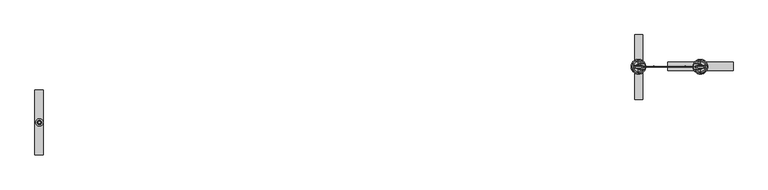
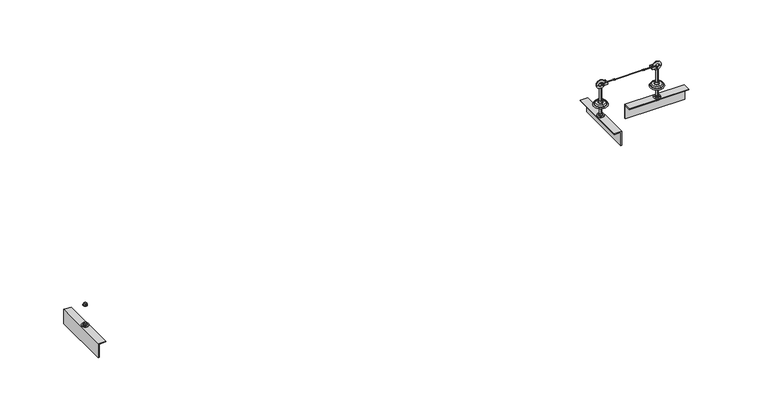
"""IFC4 building model written with IfcOpenShell, lengths in millimetres: proxy geometry."""

from ifc_helpers import new_model, si_unit, point, frame, frame_2d, origin, place, context, project, spatial, polyline, circle_curve, ellipse_curve, trimmed, segment, composite_curve, outline, extrude, source, transform, mapped, element, save
from ifc_brep_helpers import plane_surface, cylinder_surface, revolved_surface, advanced_brep


def specialty_equipment_66c62369(model_context):
    return source(origin(), model_context, "Body", "SolidModel", [
        advanced_brep(
        [(8100.0, 345.0, 0.0), (8100.0, 307.0, 0.0), (8100.0, 293.0, 0.0), (8100.0, 255.0, 0.0), (8100.0, 307.0, -100.0), (8100.0, 293.0, -100.0), (8100.0, 300.0, -100.0), (8100.0, 300.0, 121.6303144), (8100.0, 306.9, 121.6303144), (8100.0, 293.1, 121.6303144), (8100.0, 306.9, 28.0512021), (8100.0, 293.1, 28.0512021), (8100.0, 307.995656, 24.9277269), (8100.0, 313.6366177, 17.8765248), (8100.0, 286.3633823, 17.8765248), (8100.0, 292.004344, 24.9277269), (8100.0, 317.5409617, 16.0), (8100.0, 330.1640518, 16.0), (8100.0, 269.8359482, 16.0), (8100.0, 282.4590383, 16.0), (8100.0, 337.6378375, 8.5262143), (8100.0, 262.3621625, 8.5262143), (8100.0, 337.6378375, 6.8656759), (8100.0, 262.3621625, 6.8656759), (8100.0, 338.448306, 5.8712826), (8100.0, 261.551694, 5.8712826)],
        [
            (0, 1),
            (1, 2, circle_curve(frame((8100.0, 300.0, 0.0), z_axis=(0.0, 0.0, 1.0), x_axis=(0.0, -1.0, 0.0)), 7.0)),
            (2, 3),
            (3, 0, circle_curve(frame((8100.0, 300.0, 0.0), z_axis=(0.0, 0.0, -1.0), x_axis=(0.0, -1.0, 0.0)), 45.0)),
            (2, 1, circle_curve(frame((8100.0, 300.0, 0.0), z_axis=(0.0, 0.0, 1.0), x_axis=(0.0, -1.0, 0.0)), 7.0)),
            (0, 3, circle_curve(frame((8100.0, 300.0, 0.0), z_axis=(0.0, 0.0, -1.0), x_axis=(0.0, -1.0, 0.0)), 45.0)),
            (1, 4),
            (4, 5, circle_curve(frame((8100.0, 300.0, -100.0), z_axis=(0.0, 0.0, 1.0), x_axis=(0.0, -1.0, 0.0)), 7.0)),
            (5, 2),
            (5, 4, circle_curve(frame((8100.0, 300.0, -100.0), z_axis=(0.0, 0.0, 1.0), x_axis=(0.0, -1.0, 0.0)), 7.0)),
            (4, 6),
            (6, 5),
            (7, 8),
            (8, 9, circle_curve(frame((8100.0, 300.0, 121.6303144), z_axis=(0.0, 0.0, 1.0), x_axis=(0.0, -1.0, 0.0)), 6.9)),
            (9, 7),
            (9, 8, circle_curve(frame((8100.0, 300.0, 121.6303144), z_axis=(0.0, 0.0, 1.0), x_axis=(0.0, -1.0, 0.0)), 6.9)),
            (8, 10),
            (10, 11, circle_curve(frame((8100.0, 300.0, 28.0512021), z_axis=(0.0, 0.0, 1.0), x_axis=(0.0, -1.0, 0.0)), 6.9)),
            (11, 9),
            (11, 10, circle_curve(frame((8100.0, 300.0, 28.0512021), z_axis=(0.0, 0.0, 1.0), x_axis=(0.0, -1.0, 0.0)), 6.9)),
            (12, 13),
            (13, 14, circle_curve(frame((8100.0, 300.0, 17.8765248), z_axis=(0.0, 0.0, 1.0), x_axis=(0.0, -1.0, 0.0)), 13.6366177)),
            (14, 15),
            (15, 12, circle_curve(frame((8100.0, 300.0, 24.9277269), z_axis=(0.0, 0.0, -1.0), x_axis=(0.0, -1.0, 0.0)), 7.995656)),
            (14, 13, circle_curve(frame((8100.0, 300.0, 17.8765248), z_axis=(0.0, 0.0, 1.0), x_axis=(0.0, -1.0, 0.0)), 13.6366177)),
            (12, 15, circle_curve(frame((8100.0, 300.0, 24.9277269), z_axis=(0.0, 0.0, -1.0), x_axis=(0.0, -1.0, 0.0)), 7.995656)),
            (16, 17),
            (17, 18, circle_curve(frame((8100.0, 300.0, 16.0), z_axis=(0.0, 0.0, 1.0), x_axis=(0.0, -1.0, 0.0)), 30.1640518)),
            (18, 19),
            (19, 16, circle_curve(frame((8100.0, 300.0, 16.0), z_axis=(0.0, 0.0, -1.0), x_axis=(0.0, -1.0, 0.0)), 17.5409617)),
            (18, 17, circle_curve(frame((8100.0, 300.0, 16.0), z_axis=(0.0, 0.0, 1.0), x_axis=(0.0, -1.0, 0.0)), 30.1640518)),
            (16, 19, circle_curve(frame((8100.0, 300.0, 16.0), z_axis=(0.0, 0.0, -1.0), x_axis=(0.0, -1.0, 0.0)), 17.5409617)),
            (17, 20, circle_curve(frame((8100.0, 330.1640518, 8.5262143), z_axis=(-1.0, 0.0, 0.0), x_axis=(0.0, -1.0, 0.0)), 7.4737857)),
            (20, 21, circle_curve(frame((8100.0, 300.0, 8.5262143), z_axis=(0.0, 0.0, 1.0), x_axis=(0.0, -1.0, 0.0)), 37.6378375)),
            (21, 18, circle_curve(frame((8100.0, 269.8359482, 8.5262143), z_axis=(-1.0, 0.0, 0.0), x_axis=(0.0, 1.0, 0.0)), 7.4737857)),
            (21, 20, circle_curve(frame((8100.0, 300.0, 8.5262143), z_axis=(0.0, 0.0, 1.0), x_axis=(0.0, -1.0, 0.0)), 37.6378375)),
            (20, 22),
            (22, 23, circle_curve(frame((8100.0, 300.0, 6.8656759), z_axis=(0.0, 0.0, 1.0), x_axis=(0.0, -1.0, 0.0)), 37.6378375)),
            (23, 21),
            (23, 22, circle_curve(frame((8100.0, 300.0, 6.8656759), z_axis=(0.0, 0.0, 1.0), x_axis=(0.0, -1.0, 0.0)), 37.6378375)),
            (10, 12, circle_curve(frame((8100.0, 311.9, 28.0512021), z_axis=(1.0, 0.0, 0.0), x_axis=(0.0, -1.0, 0.0)), 5.0)),
            (15, 11, circle_curve(frame((8100.0, 288.1, 28.0512021), z_axis=(1.0, 0.0, 0.0), x_axis=(0.0, 1.0, 0.0)), 5.0)),
            (13, 16, circle_curve(frame((8100.0, 317.5409617, 21.0), z_axis=(1.0, 0.0, 0.0), x_axis=(0.0, -1.0, 0.0)), 5.0)),
            (19, 14, circle_curve(frame((8100.0, 282.4590383, 21.0), z_axis=(1.0, 0.0, 0.0), x_axis=(0.0, 1.0, 0.0)), 5.0)),
            (22, 24, circle_curve(frame((8100.0, 338.6531003, 6.8656759), z_axis=(1.0, 0.0, 0.0), x_axis=(0.0, -1.0, 0.0)), 1.0152629)),
            (24, 25, circle_curve(frame((8100.0, 300.0, 5.8712826), z_axis=(0.0, 0.0, 1.0), x_axis=(0.0, -1.0, 0.0)), 38.448306)),
            (25, 23, circle_curve(frame((8100.0, 261.3468997, 6.8656759), z_axis=(1.0, 0.0, 0.0), x_axis=(0.0, 1.0, 0.0)), 1.0152629)),
            (25, 24, circle_curve(frame((8100.0, 300.0, 5.8712826), z_axis=(0.0, 0.0, 1.0), x_axis=(0.0, -1.0, 0.0)), 38.448306)),
            (24, 0, circle_curve(frame((8100.0, 336.6858246, -2.686569), z_axis=(-1.0, 0.0, 0.0), x_axis=(0.0, -1.0, 0.0)), 8.7374576)),
            (3, 25, circle_curve(frame((8100.0, 263.3141754, -2.686569), z_axis=(-1.0, 0.0, 0.0), x_axis=(0.0, 1.0, 0.0)), 8.7374576)),
        ],
        [
            plane_surface(frame((8100.0, 300.0, 0.0), z_axis=(0.0, 0.0, -1.0), x_axis=(0.0, -1.0, 0.0))),
            cylinder_surface(frame((8100.0, 300.0, 93.0), z_axis=(0.0, 0.0, 1.0), x_axis=(0.0, -1.0, 0.0)), 7.0),
            plane_surface(frame((8100.0, 300.0, -100.0), z_axis=(0.0, 0.0, -1.0), x_axis=(0.0, -1.0, 0.0))),
            plane_surface(frame((8100.0, 300.0, 121.6303144), z_axis=(0.0, 0.0, 1.0), x_axis=(0.0, -1.0, 0.0))),
            cylinder_surface(frame((8100.0, 300.0, 93.0), z_axis=(0.0, 0.0, 1.0), x_axis=(0.0, -1.0, 0.0)), 6.9),
            revolved_surface(polyline([(8100.0, 286.3633823, 17.8765248), (8100.0, 292.004344, 24.9277269)]), (8100.0, 300.0, 93.0), (0.0, 0.0, 1.0)),
            plane_surface(frame((8100.0, 300.0, 16.0), z_axis=(0.0, 0.0, 1.0), x_axis=(0.0, -1.0, 0.0))),
            revolved_surface(trimmed(ellipse_curve(frame((8100.0, 269.8359482, 8.5262143), z_axis=(-1.0, 0.0, 0.0), x_axis=(0.0, 1.0, 0.0)), 7.4737857, 7.4737857), [point((8100.0, 262.3621625, 8.5262143))], [point((8100.0, 269.8359482, 16.0))], True, "CARTESIAN"), (8100.0, 300.0, 93.0), (0.0, 0.0, 1.0)),
            cylinder_surface(frame((8100.0, 300.0, 93.0), z_axis=(0.0, 0.0, 1.0), x_axis=(0.0, -1.0, 0.0)), 37.6378375),
            revolved_surface(trimmed(ellipse_curve(frame((8100.0, 288.1, 28.0512021), z_axis=(1.0, 0.0, 0.0), x_axis=(0.0, 1.0, 0.0)), 5.0, 5.0), [point((8100.0, 292.004344, 24.9277269))], [point((8100.0, 293.1, 28.0512021))], True, "CARTESIAN"), (8100.0, 300.0, 93.0), (0.0, 0.0, 1.0)),
            revolved_surface(trimmed(ellipse_curve(frame((8100.0, 282.4590383, 21.0), z_axis=(1.0, 0.0, 0.0), x_axis=(0.0, 1.0, 0.0)), 5.0, 5.0), [point((8100.0, 282.4590383, 16.0))], [point((8100.0, 286.3633823, 17.8765248))], True, "CARTESIAN"), (8100.0, 300.0, 93.0), (0.0, 0.0, 1.0)),
            revolved_surface(trimmed(ellipse_curve(frame((8100.0, 261.3468997, 6.8656759), z_axis=(1.0, 0.0, 0.0), x_axis=(0.0, 1.0, 0.0)), 1.0152629, 1.0152629), [point((8100.0, 261.551694, 5.8712826))], [point((8100.0, 262.3621625, 6.8656759))], True, "CARTESIAN"), (8100.0, 300.0, 93.0), (0.0, 0.0, 1.0)),
            revolved_surface(trimmed(ellipse_curve(frame((8100.0, 263.3141754, -2.686569), z_axis=(-1.0, 0.0, 0.0), x_axis=(0.0, 1.0, 0.0)), 8.7374576, 8.7374576), [point((8100.0, 255.0, 0.0))], [point((8100.0, 261.551694, 5.8712826))], True, "CARTESIAN"), (8100.0, 300.0, 93.0), (0.0, 0.0, 1.0)),
        ],
        [
            (0, [[1, 2, 3, 4]]),
            (0, [[-3, 5, -1, 6]]),
            (1, [[7, 8, 9, -2]]),
            (1, [[-9, 10, -7, -5]]),
            (2, [[11, 12, -8]]),
            (2, [[-12, -11, -10]]),
            (3, [[13, 14, 15]]),
            (3, [[-15, 16, -13]]),
            (4, [[17, 18, 19, -14]]),
            (4, [[-19, 20, -17, -16]]),
            (5, [[21, 22, 23, 24]]),
            (5, [[-23, 25, -21, 26]]),
            (6, [[27, 28, 29, 30]]),
            (6, [[-29, 31, -27, 32]]),
            (7, [[33, 34, 35, -28]]),
            (7, [[-35, 36, -33, -31]]),
            (8, [[37, 38, 39, -34]]),
            (8, [[-39, 40, -37, -36]]),
            (9, [[41, -24, 42, -18]]),
            (9, [[-42, -26, -41, -20]]),
            (10, [[43, -30, 44, -22]]),
            (10, [[-44, -32, -43, -25]]),
            (11, [[45, 46, 47, -38]]),
            (11, [[-47, 48, -45, -40]]),
            (12, [[49, -4, 50, -46]]),
            (12, [[-50, -6, -49, -48]]),
        ],
    ),
        advanced_brep(
        [(7720.0243251, 307.0, 0.0), (7720.0243251, 345.0, 0.0), (7720.0243251, 255.0, 0.0), (7720.0243251, 293.0, 0.0), (7720.0243251, 307.0, -100.0), (7720.0243251, 293.0, -100.0), (7720.0243251, 300.0, -100.0), (7720.0243251, 306.9, 121.6303144), (7720.0243251, 300.0, 121.6303144), (7720.0243251, 293.1, 121.6303144), (7720.0243251, 306.9, 28.0512021), (7720.0243251, 293.1, 28.0512021), (7720.0243251, 313.6366177, 17.8765248), (7720.0243251, 307.995656, 24.9277269), (7720.0243251, 292.004344, 24.9277269), (7720.0243251, 286.3633823, 17.8765248), (7720.0243251, 330.1640518, 16.0), (7720.0243251, 317.5409617, 16.0), (7720.0243251, 282.4590383, 16.0), (7720.0243251, 269.8359482, 16.0), (7720.0243251, 337.6378375, 8.5262143), (7720.0243251, 262.3621625, 8.5262143), (7720.0243251, 337.6378375, 6.8656759), (7720.0243251, 262.3621625, 6.8656759), (7720.0243251, 338.448306, 5.8712826), (7720.0243251, 261.551694, 5.8712826)],
        [
            (0, 1),
            (1, 2, circle_curve(frame((7720.0243251, 300.0, 0.0), z_axis=(0.0, 0.0, -1.0), x_axis=(0.0, -1.0, 0.0)), 45.0)),
            (2, 3),
            (3, 0, circle_curve(frame((7720.0243251, 300.0, 0.0), z_axis=(0.0, 0.0, 1.0), x_axis=(0.0, -1.0, 0.0)), 7.0)),
            (2, 1, circle_curve(frame((7720.0243251, 300.0, 0.0), z_axis=(0.0, 0.0, -1.0), x_axis=(0.0, -1.0, 0.0)), 45.0)),
            (0, 3, circle_curve(frame((7720.0243251, 300.0, 0.0), z_axis=(0.0, 0.0, 1.0), x_axis=(0.0, -1.0, 0.0)), 7.0)),
            (4, 0),
            (3, 5),
            (5, 4, circle_curve(frame((7720.0243251, 300.0, -100.0), z_axis=(0.0, 0.0, 1.0), x_axis=(0.0, -1.0, 0.0)), 7.0)),
            (4, 5, circle_curve(frame((7720.0243251, 300.0, -100.0), z_axis=(0.0, 0.0, 1.0), x_axis=(0.0, -1.0, 0.0)), 7.0)),
            (6, 4),
            (5, 6),
            (7, 8),
            (8, 9),
            (9, 7, circle_curve(frame((7720.0243251, 300.0, 121.6303144), z_axis=(0.0, 0.0, 1.0), x_axis=(0.0, -1.0, 0.0)), 6.9)),
            (7, 9, circle_curve(frame((7720.0243251, 300.0, 121.6303144), z_axis=(0.0, 0.0, 1.0), x_axis=(0.0, -1.0, 0.0)), 6.9)),
            (10, 7),
            (9, 11),
            (11, 10, circle_curve(frame((7720.0243251, 300.0, 28.0512021), z_axis=(0.0, 0.0, 1.0), x_axis=(0.0, -1.0, 0.0)), 6.9)),
            (10, 11, circle_curve(frame((7720.0243251, 300.0, 28.0512021), z_axis=(0.0, 0.0, 1.0), x_axis=(0.0, -1.0, 0.0)), 6.9)),
            (12, 13),
            (13, 14, circle_curve(frame((7720.0243251, 300.0, 24.9277269), z_axis=(0.0, 0.0, -1.0), x_axis=(0.0, -1.0, 0.0)), 7.995656)),
            (14, 15),
            (15, 12, circle_curve(frame((7720.0243251, 300.0, 17.8765248), z_axis=(0.0, 0.0, 1.0), x_axis=(0.0, -1.0, 0.0)), 13.6366177)),
            (14, 13, circle_curve(frame((7720.0243251, 300.0, 24.9277269), z_axis=(0.0, 0.0, -1.0), x_axis=(0.0, -1.0, 0.0)), 7.995656)),
            (12, 15, circle_curve(frame((7720.0243251, 300.0, 17.8765248), z_axis=(0.0, 0.0, 1.0), x_axis=(0.0, -1.0, 0.0)), 13.6366177)),
            (16, 17),
            (17, 18, circle_curve(frame((7720.0243251, 300.0, 16.0), z_axis=(0.0, 0.0, -1.0), x_axis=(0.0, -1.0, 0.0)), 17.5409617)),
            (18, 19),
            (19, 16, circle_curve(frame((7720.0243251, 300.0, 16.0), z_axis=(0.0, 0.0, 1.0), x_axis=(0.0, -1.0, 0.0)), 30.1640518)),
            (18, 17, circle_curve(frame((7720.0243251, 300.0, 16.0), z_axis=(0.0, 0.0, -1.0), x_axis=(0.0, -1.0, 0.0)), 17.5409617)),
            (16, 19, circle_curve(frame((7720.0243251, 300.0, 16.0), z_axis=(0.0, 0.0, 1.0), x_axis=(0.0, -1.0, 0.0)), 30.1640518)),
            (20, 16, circle_curve(frame((7720.0243251, 330.1640518, 8.5262143), z_axis=(1.0, 0.0, 0.0), x_axis=(0.0, -1.0, 0.0)), 7.4737857)),
            (19, 21, circle_curve(frame((7720.0243251, 269.8359482, 8.5262143), z_axis=(1.0, 0.0, 0.0), x_axis=(0.0, 1.0, 0.0)), 7.4737857)),
            (21, 20, circle_curve(frame((7720.0243251, 300.0, 8.5262143), z_axis=(0.0, 0.0, 1.0), x_axis=(0.0, -1.0, 0.0)), 37.6378375)),
            (20, 21, circle_curve(frame((7720.0243251, 300.0, 8.5262143), z_axis=(0.0, 0.0, 1.0), x_axis=(0.0, -1.0, 0.0)), 37.6378375)),
            (22, 20),
            (21, 23),
            (23, 22, circle_curve(frame((7720.0243251, 300.0, 6.8656759), z_axis=(0.0, 0.0, 1.0), x_axis=(0.0, -1.0, 0.0)), 37.6378375)),
            (22, 23, circle_curve(frame((7720.0243251, 300.0, 6.8656759), z_axis=(0.0, 0.0, 1.0), x_axis=(0.0, -1.0, 0.0)), 37.6378375)),
            (13, 10, circle_curve(frame((7720.0243251, 311.9, 28.0512021), z_axis=(-1.0, 0.0, 0.0), x_axis=(0.0, -1.0, 0.0)), 5.0)),
            (11, 14, circle_curve(frame((7720.0243251, 288.1, 28.0512021), z_axis=(-1.0, 0.0, 0.0), x_axis=(0.0, 1.0, 0.0)), 5.0)),
            (17, 12, circle_curve(frame((7720.0243251, 317.5409617, 21.0), z_axis=(-1.0, 0.0, 0.0), x_axis=(0.0, -1.0, 0.0)), 5.0)),
            (15, 18, circle_curve(frame((7720.0243251, 282.4590383, 21.0), z_axis=(-1.0, 0.0, 0.0), x_axis=(0.0, 1.0, 0.0)), 5.0)),
            (24, 22, circle_curve(frame((7720.0243251, 338.6531003, 6.8656759), z_axis=(-1.0, 0.0, 0.0), x_axis=(0.0, -1.0, 0.0)), 1.0152629)),
            (23, 25, circle_curve(frame((7720.0243251, 261.3468997, 6.8656759), z_axis=(-1.0, 0.0, 0.0), x_axis=(0.0, 1.0, 0.0)), 1.0152629)),
            (25, 24, circle_curve(frame((7720.0243251, 300.0, 5.8712826), z_axis=(0.0, 0.0, 1.0), x_axis=(0.0, -1.0, 0.0)), 38.448306)),
            (24, 25, circle_curve(frame((7720.0243251, 300.0, 5.8712826), z_axis=(0.0, 0.0, 1.0), x_axis=(0.0, -1.0, 0.0)), 38.448306)),
            (1, 24, circle_curve(frame((7720.0243251, 336.6858246, -2.686569), z_axis=(1.0, 0.0, 0.0), x_axis=(0.0, -1.0, 0.0)), 8.7374576)),
            (25, 2, circle_curve(frame((7720.0243251, 263.3141754, -2.686569), z_axis=(1.0, 0.0, 0.0), x_axis=(0.0, 1.0, 0.0)), 8.7374576)),
        ],
        [
            plane_surface(frame((7720.0243251, 300.0, 0.0), z_axis=(0.0, 0.0, -1.0), x_axis=(0.0, -1.0, 0.0))),
            cylinder_surface(frame((7720.0243251, 300.0, 93.0), z_axis=(0.0, 0.0, -1.0), x_axis=(0.0, -1.0, 0.0)), 7.0),
            plane_surface(frame((7720.0243251, 300.0, -100.0), z_axis=(0.0, 0.0, -1.0), x_axis=(0.0, -1.0, 0.0))),
            plane_surface(frame((7720.0243251, 300.0, 121.6303144), z_axis=(0.0, 0.0, 1.0), x_axis=(0.0, -1.0, 0.0))),
            cylinder_surface(frame((7720.0243251, 300.0, 93.0), z_axis=(0.0, 0.0, -1.0), x_axis=(0.0, -1.0, 0.0)), 6.9),
            revolved_surface(polyline([(7720.0243251, 292.004344, 24.9277269), (7720.0243251, 286.3633823, 17.8765248)]), (7720.0243251, 300.0, 93.0), (0.0, 0.0, -1.0)),
            plane_surface(frame((7720.0243251, 300.0, 16.0), z_axis=(0.0, 0.0, 1.0), x_axis=(0.0, -1.0, 0.0))),
            revolved_surface(trimmed(ellipse_curve(frame((7720.0243251, 269.8359482, 8.5262143), z_axis=(1.0, 0.0, 0.0), x_axis=(0.0, 1.0, 0.0)), 7.4737857, 7.4737857), [point((7720.0243251, 269.8359482, 16.0))], [point((7720.0243251, 262.3621625, 8.5262143))], True, "CARTESIAN"), (7720.0243251, 300.0, 93.0), (0.0, 0.0, -1.0)),
            cylinder_surface(frame((7720.0243251, 300.0, 93.0), z_axis=(0.0, 0.0, -1.0), x_axis=(0.0, -1.0, 0.0)), 37.6378375),
            revolved_surface(trimmed(ellipse_curve(frame((7720.0243251, 288.1, 28.0512021), z_axis=(-1.0, 0.0, 0.0), x_axis=(0.0, 1.0, 0.0)), 5.0, 5.0), [point((7720.0243251, 293.1, 28.0512021))], [point((7720.0243251, 292.004344, 24.9277269))], True, "CARTESIAN"), (7720.0243251, 300.0, 93.0), (0.0, 0.0, -1.0)),
            revolved_surface(trimmed(ellipse_curve(frame((7720.0243251, 282.4590383, 21.0), z_axis=(-1.0, 0.0, 0.0), x_axis=(0.0, 1.0, 0.0)), 5.0, 5.0), [point((7720.0243251, 286.3633823, 17.8765248))], [point((7720.0243251, 282.4590383, 16.0))], True, "CARTESIAN"), (7720.0243251, 300.0, 93.0), (0.0, 0.0, -1.0)),
            revolved_surface(trimmed(ellipse_curve(frame((7720.0243251, 261.3468997, 6.8656759), z_axis=(-1.0, 0.0, 0.0), x_axis=(0.0, 1.0, 0.0)), 1.0152629, 1.0152629), [point((7720.0243251, 262.3621625, 6.8656759))], [point((7720.0243251, 261.551694, 5.8712826))], True, "CARTESIAN"), (7720.0243251, 300.0, 93.0), (0.0, 0.0, -1.0)),
            revolved_surface(trimmed(ellipse_curve(frame((7720.0243251, 263.3141754, -2.686569), z_axis=(1.0, 0.0, 0.0), x_axis=(0.0, 1.0, 0.0)), 8.7374576, 8.7374576), [point((7720.0243251, 261.551694, 5.8712826))], [point((7720.0243251, 255.0, 0.0))], True, "CARTESIAN"), (7720.0243251, 300.0, 93.0), (0.0, 0.0, -1.0)),
        ],
        [
            (0, [[1, 2, 3, 4]]),
            (0, [[-3, 5, -1, 6]]),
            (1, [[7, -4, 8, 9]]),
            (1, [[-8, -6, -7, 10]]),
            (2, [[11, -9, 12]]),
            (2, [[-12, -10, -11]]),
            (3, [[13, 14, 15]]),
            (3, [[-14, -13, 16]]),
            (4, [[17, -15, 18, 19]]),
            (4, [[-18, -16, -17, 20]]),
            (5, [[21, 22, 23, 24]]),
            (5, [[-23, 25, -21, 26]]),
            (6, [[27, 28, 29, 30]]),
            (6, [[-29, 31, -27, 32]]),
            (7, [[33, -30, 34, 35]]),
            (7, [[-34, -32, -33, 36]]),
            (8, [[37, -35, 38, 39]]),
            (8, [[-38, -36, -37, 40]]),
            (9, [[41, -19, 42, -22]]),
            (9, [[-42, -20, -41, -25]]),
            (10, [[43, -24, 44, -28]]),
            (10, [[-44, -26, -43, -31]]),
            (11, [[45, -39, 46, 47]]),
            (11, [[-46, -40, -45, 48]]),
            (12, [[49, -47, 50, -2]]),
            (12, [[-50, -48, -49, -5]]),
        ],
    ),
        extrude(outline(polyline([(300.0378375, 147.2159586), (303.255952, 145.3579793), (303.255952, 141.6420207), (300.0378375, 139.7840414), (296.8197229, 141.6420207), (296.8197229, 145.3579793), (300.0378375, 147.2159586)])), frame((8004.0, 0.0, 0.0), z_axis=(1.0, 0.0, 0.0), x_axis=(0.0, 1.0, 0.0)), (0.0, 0.0, 1.0), 6.0),
        extrude(outline(polyline([(300.0378375, 147.2159586), (303.255952, 145.3579793), (303.255952, 141.6420207), (300.0378375, 139.7840414), (296.8197229, 141.6420207), (296.8197229, 145.3579793), (300.0378375, 147.2159586)])), frame((7810.0243251, 0.0, 0.0), z_axis=(1.0, 0.0, 0.0), x_axis=(0.0, 1.0, 0.0)), (0.0, 0.0, 1.0), 6.0),
        extrude(outline(composite_curve([segment(trimmed(circle_curve(frame_2d((300.0378375, 143.5)), 2.0), [point((300.0378375, 145.5))], [point((300.0378375, 141.5))], False, "CARTESIAN"), True, "CONTINUOUS"), segment(trimmed(circle_curve(frame_2d((300.0378375, 143.5)), 2.0), [point((300.0378375, 141.5))], [point((300.0378375, 145.5))], False, "CARTESIAN"), True, "CONTINUOUS")], self_intersect=False)), frame((7760.0243251, 0.0, 0.0), z_axis=(1.0, 0.0, 0.0), x_axis=(0.0, 1.0, 0.0)), (0.0, 0.0, 1.0), 50.0),
        advanced_brep(
        [(8004.0121625, 300.0, 144.9991883), (8004.0121625, 300.0, 143.5), (8004.0121625, 300.0, 142.0008117), (7816.0121625, 300.0, 144.4598668), (7816.0121625, 300.0, 142.5401332), (7816.0121625, 300.0, 143.5)],
        [
            (0, 1),
            (1, 2),
            (2, 0, circle_curve(frame((8004.0121625, 300.0, 143.5), z_axis=(1.0, 0.0, 0.0), x_axis=(0.0, 0.0, -1.0)), 1.4991883)),
            (0, 2, circle_curve(frame((8004.0121625, 300.0, 143.5), z_axis=(1.0, 0.0, 0.0), x_axis=(0.0, 0.0, -1.0)), 1.4991883)),
            (3, 0, circle_curve(frame((7914.6843147, 300.0, -1483.9180993), z_axis=(0.0, 1.0, 0.0), x_axis=(-1.0, 0.0, 0.0)), 1631.3647643)),
            (2, 4, circle_curve(frame((7914.6843147, 300.0, 1770.9180993), z_axis=(0.0, 1.0, 0.0), x_axis=(-1.0, 0.0, 0.0)), 1631.3647643)),
            (4, 3, circle_curve(frame((7816.0121625, 300.0, 143.5), z_axis=(1.0, 0.0, 0.0), x_axis=(0.0, 0.0, -1.0)), 0.9598668)),
            (3, 4, circle_curve(frame((7816.0121625, 300.0, 143.5), z_axis=(1.0, 0.0, 0.0), x_axis=(0.0, 0.0, -1.0)), 0.9598668)),
            (5, 3),
            (4, 5),
        ],
        [
            plane_surface(frame((8004.0121625, 300.0, 143.5), z_axis=(1.0, 0.0, 0.0), x_axis=(0.0, 0.0, -1.0))),
            revolved_surface(trimmed(ellipse_curve(frame((7914.6843147, 300.0, 1770.9180993), z_axis=(0.0, 1.0, 0.0), x_axis=(-1.0, 0.0, 0.0)), 1631.3647643, 1631.3647643), [point((8004.0121625, 300.0, 142.0008117))], [point((7816.0121625, 300.0, 142.5401332))], True, "CARTESIAN"), (7940.0121625, 300.0, 143.5), (-1.0, 0.0, 0.0)),
            plane_surface(frame((7816.0121625, 300.0, 143.5), z_axis=(-1.0, 0.0, 0.0), x_axis=(0.0, 0.0, -1.0))),
        ],
        [
            (0, [[1, 2, 3]]),
            (0, [[-2, -1, 4]]),
            (1, [[5, -3, 6, 7]]),
            (1, [[-6, -4, -5, 8]]),
            (2, [[9, -7, 10]]),
            (2, [[-10, -8, -9]]),
        ],
    ),
        extrude(outline(composite_curve([segment(trimmed(circle_curve(frame_2d((300.0378375, 143.5)), 2.0), [point((300.0378375, 145.5))], [point((300.0378375, 141.5))], False, "CARTESIAN"), True, "CONTINUOUS"), segment(trimmed(circle_curve(frame_2d((300.0378375, 143.5)), 2.0), [point((300.0378375, 141.5))], [point((300.0378375, 145.5))], False, "CARTESIAN"), True, "CONTINUOUS")], self_intersect=False)), frame((8010.0, 0.0, 0.0), z_axis=(1.0, 0.0, 0.0), x_axis=(0.0, 1.0, 0.0)), (0.0, 0.0, 1.0), 50.0),
        extrude(outline(composite_curve([segment(trimmed(circle_curve(frame_2d((143.5, 7730.3432172)), 4.0), [point((143.5, 7726.3432172))], [point((143.5, 7734.3432172))], False, "CARTESIAN"), True, "CONTINUOUS"), segment(trimmed(circle_curve(frame_2d((143.5, 7730.3432172)), 4.0), [point((143.5, 7734.3432172))], [point((143.5, 7726.3432172))], False, "CARTESIAN"), True, "CONTINUOUS")], self_intersect=False)), frame((0.0, 292.2189337, 0.0), z_axis=(0.0, 1.0, 0.0), x_axis=(0.0, 0.0, 1.0)), (0.0, 0.0, 1.0), 15.6923596),
        advanced_brep(
        [(7760.0243251, 285.0, 137.1597348), (7760.0243251, 285.0, 149.8402652), (7730.3675423, 285.0, 149.8402652), (7730.3675423, 285.0, 137.1597348), (7760.0243251, 315.0, 137.1597348), (7730.3675423, 315.0, 137.1597348), (7730.3675423, 315.0, 149.8402652), (7760.0243251, 315.0, 149.8402652), (7730.3675423, 307.9112933, 137.1597348), (7730.3675423, 307.9112933, 149.8402652), (7730.3675423, 292.2189337, 149.8402652), (7730.3675423, 292.2189337, 137.1597348), (7755.0243251, 307.9112933, 149.8402652), (7755.0243251, 292.2189337, 149.8402652), (7755.0243251, 292.2189337, 137.1597348), (7755.0243251, 307.9112933, 137.1597348)],
        [
            (0, 1),
            (1, 2),
            (2, 3, circle_curve(frame((7730.3675423, 285.0, 143.5), z_axis=(0.0, -1.0, 0.0), x_axis=(1.0, 0.0, 0.0)), 6.3402652)),
            (3, 0),
            (4, 5),
            (5, 6, circle_curve(frame((7730.3675423, 315.0, 143.5), z_axis=(0.0, 1.0, 0.0), x_axis=(1.0, 0.0, 0.0)), 6.3402652)),
            (6, 7),
            (7, 4),
            (0, 4),
            (7, 1),
            (5, 8),
            (8, 9, circle_curve(frame((7730.3675423, 307.9112933, 143.5), z_axis=(0.0, 1.0, 0.0), x_axis=(1.0, 0.0, 0.0)), 6.3402652)),
            (9, 6),
            (2, 10),
            (10, 11, circle_curve(frame((7730.3675423, 292.2189337, 143.5), z_axis=(0.0, -1.0, 0.0), x_axis=(1.0, 0.0, 0.0)), 6.3402652)),
            (11, 3),
            (9, 12),
            (12, 13),
            (13, 10),
            (11, 14),
            (14, 15),
            (15, 8),
            (14, 13),
            (12, 15),
        ],
        [
            plane_surface(frame((7730.3675423, 285.0, 137.1597348), z_axis=(0.0, -1.0, 0.0), x_axis=(-1.0, 0.0, 0.0))),
            plane_surface(frame((7730.3675423, 315.0, 137.1597348), z_axis=(0.0, 1.0, 0.0), x_axis=(1.0, 0.0, 0.0))),
            plane_surface(frame((7760.0243251, 285.0, 149.8402652), z_axis=(1.0, 0.0, 0.0), x_axis=(0.0, 1.0, 0.0))),
            cylinder_surface(frame((7730.3675423, 315.0, 143.5), z_axis=(0.0, -1.0, 0.0), x_axis=(1.0, 0.0, 0.0)), 6.3402652),
            plane_surface(frame((7730.3675423, 285.0, 149.8402652), z_axis=(0.0, 0.0, 1.0), x_axis=(0.0, 1.0, 0.0))),
            plane_surface(frame((7760.0243251, 285.0, 137.1597348), z_axis=(0.0, 0.0, -1.0), x_axis=(0.0, 1.0, 0.0))),
            plane_surface(frame((7755.0243251, 292.2189337, 137.1597348), z_axis=(-1.0, 0.0, 0.0), x_axis=(0.0, 0.0, 1.0))),
            plane_surface(frame((7720.0243251, 292.2189337, 137.1597348), z_axis=(0.0, 1.0, 0.0), x_axis=(0.0, 0.0, 1.0))),
            plane_surface(frame((7755.0243251, 307.9112933, 137.1597348), z_axis=(0.0, -1.0, 0.0), x_axis=(0.0, 0.0, 1.0))),
        ],
        [
            (0, [[1, 2, 3, 4]]),
            (1, [[5, 6, 7, 8]]),
            (2, [[9, -8, 10, -1]]),
            (3, [[11, 12, 13, -6]]),
            (3, [[14, 15, 16, -3]]),
            (4, [[-10, -7, -13, 17, 18, 19, -14, -2]]),
            (5, [[-16, 20, 21, 22, -11, -5, -9, -4]]),
            (6, [[-21, 23, -18, 24]]),
            (7, [[-20, -15, -19, -23]]),
            (8, [[-17, -12, -22, -24]]),
        ],
    ),
        extrude(outline(composite_curve([segment(trimmed(circle_curve(frame_2d((143.5, 8089.6567828)), 4.0), [point((143.5, 8093.6567828))], [point((143.5, 8085.6567828))], False, "CARTESIAN"), True, "CONTINUOUS"), segment(trimmed(circle_curve(frame_2d((143.5, 8089.6567828)), 4.0), [point((143.5, 8085.6567828))], [point((143.5, 8093.6567828))], False, "CARTESIAN"), True, "CONTINUOUS")], self_intersect=False)), frame((0.0, 292.2189337, 0.0), z_axis=(0.0, 1.0, 0.0), x_axis=(0.0, 0.0, 1.0)), (0.0, 0.0, 1.0), 15.6923596),
        advanced_brep(
        [(8114.5545757, 300.0, 143.5), (8128.5545757, 300.0, 143.5), (8071.4454243, 300.0, 143.5), (8085.4454243, 300.0, 143.5)],
        [
            (0, 1, circle_curve(frame((8121.5545757, 300.0, 143.5), z_axis=(0.0, 0.0, 1.0), x_axis=(-1.0, 0.0, 0.0)), 7.0)),
            (1, 2, circle_curve(frame((8100.0, 300.0, 143.5), z_axis=(0.0, -1.0, 0.0), x_axis=(-1.0, 0.0, 0.0)), 28.5545757)),
            (2, 3, circle_curve(frame((8078.4454243, 300.0, 143.5), z_axis=(0.0, 0.0, 1.0), x_axis=(1.0, 0.0, 0.0)), 7.0)),
            (3, 0, circle_curve(frame((8100.0, 300.0, 143.5), z_axis=(0.0, 1.0, 0.0), x_axis=(-1.0, 0.0, 0.0)), 14.5545757)),
            (1, 0, circle_curve(frame((8121.5545757, 300.0, 143.5), z_axis=(0.0, 0.0, 1.0), x_axis=(-1.0, 0.0, 0.0)), 7.0)),
            (3, 2, circle_curve(frame((8078.4454243, 300.0, 143.5), z_axis=(0.0, 0.0, 1.0), x_axis=(1.0, 0.0, 0.0)), 7.0)),
            (2, 1, circle_curve(frame((8100.0, 300.0, 143.5), z_axis=(0.0, -1.0, 0.0), x_axis=(1.0, 0.0, 0.0)), 28.5545757)),
            (0, 3, circle_curve(frame((8100.0, 300.0, 143.5), z_axis=(0.0, 1.0, 0.0), x_axis=(1.0, 0.0, 0.0)), 14.5545757)),
        ],
        [
            revolved_surface(trimmed(ellipse_curve(frame((8078.4454243, 300.0, 143.5), z_axis=(0.0, 0.0, 1.0), x_axis=(1.0, 0.0, 0.0)), 7.0, 7.0), [point((8071.4454243, 300.0, 143.5))], [point((8085.4454243, 300.0, 143.5))], True, "CARTESIAN"), (8100.0, 300.0, 143.5), (0.0, -1.0, 0.0)),
            revolved_surface(trimmed(ellipse_curve(frame((8078.4454243, 300.0, 143.5), z_axis=(0.0, 0.0, 1.0), x_axis=(1.0, 0.0, 0.0)), 7.0, 7.0), [point((8085.4454243, 300.0, 143.5))], [point((8071.4454243, 300.0, 143.5))], True, "CARTESIAN"), (8100.0, 300.0, 143.5), (0.0, -1.0, 0.0)),
            revolved_surface(trimmed(ellipse_curve(frame((8121.5545757, 300.0, 143.5), z_axis=(0.0, 0.0, -1.0), x_axis=(-1.0, 0.0, 0.0)), 7.0, 7.0), [point((8128.5545757, 300.0, 143.5))], [point((8114.5545757, 300.0, 143.5))], True, "CARTESIAN"), (8100.0, 300.0, 143.5), (0.0, -1.0, 0.0)),
            revolved_surface(trimmed(ellipse_curve(frame((8121.5545757, 300.0, 143.5), z_axis=(0.0, 0.0, -1.0), x_axis=(-1.0, 0.0, 0.0)), 7.0, 7.0), [point((8114.5545757, 300.0, 143.5))], [point((8128.5545757, 300.0, 143.5))], True, "CARTESIAN"), (8100.0, 300.0, 143.5), (0.0, -1.0, 0.0)),
        ],
        [
            (0, [[1, 2, 3, 4]]),
            (1, [[5, -4, 6, -2]]),
            (2, [[-3, 7, -1, 8]]),
            (3, [[-6, -8, -5, -7]]),
        ],
    ),
        extrude(outline(composite_curve([segment(trimmed(circle_curve(frame_2d((143.5, 7730.3675423)), 4.0), [point((143.5, 7734.3675423))], [point((143.5, 7726.3675423))], False, "CARTESIAN"), True, "CONTINUOUS"), segment(trimmed(circle_curve(frame_2d((143.5, 7730.3675423)), 4.0), [point((143.5, 7726.3675423))], [point((143.5, 7734.3675423))], False, "CARTESIAN"), True, "CONTINUOUS")], self_intersect=False)), frame((0.0, 315.0, 0.0), z_axis=(0.0, 1.0, 0.0), x_axis=(0.0, 0.0, 1.0)), (0.0, 0.0, 1.0), 3.0),
        extrude(outline(composite_curve([segment(trimmed(circle_curve(frame_2d((143.5, 7730.3675423)), 4.0), [point((143.5, 7726.3675423))], [point((143.5, 7734.3675423))], False, "CARTESIAN"), True, "CONTINUOUS"), segment(trimmed(circle_curve(frame_2d((143.5, 7730.3675423)), 4.0), [point((143.5, 7734.3675423))], [point((143.5, 7726.3675423))], False, "CARTESIAN"), True, "CONTINUOUS")], self_intersect=False)), frame((0.0, 282.0, 0.0), z_axis=(0.0, 1.0, 0.0), x_axis=(0.0, 0.0, 1.0)), (0.0, 0.0, 1.0), 3.0),
        extrude(outline(composite_curve([segment(trimmed(circle_curve(frame_2d((143.5, 8089.6567828)), 4.0), [point((143.5, 8085.6567828))], [point((143.5, 8093.6567828))], False, "CARTESIAN"), True, "CONTINUOUS"), segment(trimmed(circle_curve(frame_2d((143.5, 8089.6567828)), 4.0), [point((143.5, 8093.6567828))], [point((143.5, 8085.6567828))], False, "CARTESIAN"), True, "CONTINUOUS")], self_intersect=False)), frame((0.0, 315.0, 0.0), z_axis=(0.0, 1.0, 0.0), x_axis=(0.0, 0.0, 1.0)), (0.0, 0.0, 1.0), 3.0),
        extrude(outline(composite_curve([segment(trimmed(circle_curve(frame_2d((143.5, 8089.6567828)), 4.0), [point((143.5, 8093.6567828))], [point((143.5, 8085.6567828))], False, "CARTESIAN"), True, "CONTINUOUS"), segment(trimmed(circle_curve(frame_2d((143.5, 8089.6567828)), 4.0), [point((143.5, 8085.6567828))], [point((143.5, 8093.6567828))], False, "CARTESIAN"), True, "CONTINUOUS")], self_intersect=False)), frame((0.0, 282.0, 0.0), z_axis=(0.0, 1.0, 0.0), x_axis=(0.0, 0.0, 1.0)), (0.0, 0.0, 1.0), 3.0),
        advanced_brep(
        [(8060.0, 285.0, 137.1597348), (8089.6567828, 285.0, 137.1597348), (8089.6567828, 285.0, 149.8402652), (8060.0, 285.0, 149.8402652), (8060.0, 315.0, 137.1597348), (8060.0, 315.0, 149.8402652), (8089.6567828, 315.0, 149.8402652), (8089.6567828, 315.0, 137.1597348), (8089.6567828, 307.9112933, 149.8402652), (8089.6567828, 307.9112933, 137.1597348), (8089.6567828, 292.2189337, 137.1597348), (8089.6567828, 292.2189337, 149.8402652), (8065.0, 292.2189337, 149.8402652), (8065.0, 307.9112933, 149.8402652), (8065.0, 307.9112933, 137.1597348), (8065.0, 292.2189337, 137.1597348)],
        [
            (0, 1),
            (1, 2, circle_curve(frame((8089.6567828, 285.0, 143.5), z_axis=(0.0, -1.0, 0.0), x_axis=(-1.0, 0.0, 0.0)), 6.3402652)),
            (2, 3),
            (3, 0),
            (4, 5),
            (5, 6),
            (6, 7, circle_curve(frame((8089.6567828, 315.0, 143.5), z_axis=(0.0, 1.0, 0.0), x_axis=(-1.0, 0.0, 0.0)), 6.3402652)),
            (7, 4),
            (3, 5),
            (4, 0),
            (6, 8),
            (8, 9, circle_curve(frame((8089.6567828, 307.9112933, 143.5), z_axis=(0.0, 1.0, 0.0), x_axis=(-1.0, 0.0, 0.0)), 6.3402652)),
            (9, 7),
            (1, 10),
            (10, 11, circle_curve(frame((8089.6567828, 292.2189337, 143.5), z_axis=(0.0, -1.0, 0.0), x_axis=(-1.0, 0.0, 0.0)), 6.3402652)),
            (11, 2),
            (11, 12),
            (12, 13),
            (13, 8),
            (9, 14),
            (14, 15),
            (15, 10),
            (14, 13),
            (12, 15),
        ],
        [
            plane_surface(frame((8060.0, 285.0, 149.8402652), z_axis=(0.0, -1.0, 0.0), x_axis=(0.0, 0.0, 1.0))),
            plane_surface(frame((8060.0, 315.0, 149.8402652), z_axis=(0.0, 1.0, 0.0), x_axis=(0.0, 0.0, -1.0))),
            plane_surface(frame((8060.0, 285.0, 137.1597348), z_axis=(-1.0, 0.0, 0.0), x_axis=(0.0, 1.0, 0.0))),
            cylinder_surface(frame((8089.6567828, 315.0, 143.5), z_axis=(0.0, -1.0, 0.0), x_axis=(-1.0, 0.0, 0.0)), 6.3402652),
            plane_surface(frame((8060.0, 285.0, 149.8402652), z_axis=(0.0, 0.0, 1.0), x_axis=(0.0, 1.0, 0.0))),
            plane_surface(frame((8089.6567828, 285.0, 137.1597348), z_axis=(0.0, 0.0, -1.0), x_axis=(0.0, 1.0, 0.0))),
            plane_surface(frame((8065.0, 307.9112933, 137.1597348), z_axis=(1.0, 0.0, 0.0), x_axis=(0.0, 0.0, 1.0))),
            plane_surface(frame((8065.0, 292.2189337, 137.1597348), z_axis=(0.0, 1.0, 0.0), x_axis=(0.0, 0.0, 1.0))),
            plane_surface(frame((8100.0, 307.9112933, 137.1597348), z_axis=(0.0, -1.0, 0.0), x_axis=(0.0, 0.0, 1.0))),
        ],
        [
            (0, [[1, 2, 3, 4]]),
            (1, [[5, 6, 7, 8]]),
            (2, [[9, -5, 10, -4]]),
            (3, [[11, 12, 13, -7]]),
            (3, [[14, 15, 16, -2]]),
            (4, [[-16, 17, 18, 19, -11, -6, -9, -3]]),
            (5, [[-10, -8, -13, 20, 21, 22, -14, -1]]),
            (6, [[-21, 23, -18, 24]]),
            (7, [[-17, -15, -22, -24]]),
            (8, [[-20, -12, -19, -23]]),
        ],
    ),
        extrude(outline(polyline([(327.5, -81.0), (327.5, -181.0), (321.5, -181.0), (321.5, -87.0), (277.5, -87.0), (277.5, -81.0), (327.5, -81.0)])), frame((7900.0243251, 0.0, 0.0), z_axis=(1.0, 0.0, 0.0), x_axis=(0.0, 1.0, 0.0)), (0.0, 0.0, 1.0), 400.0),
        extrude(outline(polyline([(8089.6320202, 300.1378375), (8094.8281726, 309.1378375), (8105.2204775, 309.1378375), (8110.4166299, 300.1378375), (8105.2204775, 291.1378375), (8094.8281726, 291.1378375), (8089.6320202, 300.1378375)]), holes=[composite_curve([segment(trimmed(circle_curve(frame_2d((8100.0243251, 300.1378375)), 7.0), [point((8100.0243251, 307.1378375))], [point((8100.0243251, 293.1378375))], True, "CARTESIAN"), True, "CONTINUOUS"), segment(trimmed(circle_curve(frame_2d((8100.0243251, 300.1378375)), 7.0), [point((8100.0243251, 293.1378375))], [point((8100.0243251, 307.1378375))], True, "CARTESIAN"), True, "CONTINUOUS")], self_intersect=False)]), frame((0.0, 0.0, -75.0), z_axis=(0.0, 0.0, 1.0), x_axis=(1.0, 0.0, 0.0)), (0.0, 0.0, 1.0), 10.0),
        extrude(outline(composite_curve([segment(trimmed(circle_curve(frame_2d((8100.5243251, 300.1378375)), 13.0), [point((8100.5243251, 313.1378375))], [point((8100.5243251, 287.1378375))], False, "CARTESIAN"), True, "CONTINUOUS"), segment(trimmed(circle_curve(frame_2d((8100.5243251, 300.1378375)), 13.0), [point((8100.5243251, 287.1378375))], [point((8100.5243251, 313.1378375))], False, "CARTESIAN"), True, "CONTINUOUS")], self_intersect=False)), frame((0.0, 0.0, -78.0), z_axis=(0.0, 0.0, 1.0), x_axis=(1.0, 0.0, 0.0)), (0.0, 0.0, 1.0), 3.0),
        extrude(outline(composite_curve([segment(trimmed(circle_curve(frame_2d((8100.5243251, 300.1378375)), 22.5), [point((8100.5243251, 322.6378375))], [point((8100.5243251, 277.6378375))], False, "CARTESIAN"), True, "CONTINUOUS"), segment(trimmed(circle_curve(frame_2d((8100.5243251, 300.1378375)), 22.5), [point((8100.5243251, 277.6378375))], [point((8100.5243251, 322.6378375))], False, "CARTESIAN"), True, "CONTINUOUS")], self_intersect=False)), frame((0.0, 0.0, -81.0), z_axis=(0.0, 0.0, 1.0), x_axis=(1.0, 0.0, 0.0)), (0.0, 0.0, 1.0), 3.0),
        extrude(outline(composite_curve([segment(trimmed(circle_curve(frame_2d((8100.5, 300.0)), 21.2), [point((8100.5, 278.8))], [point((8100.5, 321.2))], False, "CARTESIAN"), True, "CONTINUOUS"), segment(trimmed(circle_curve(frame_2d((8100.5, 300.0)), 21.2), [point((8100.5, 321.2))], [point((8100.5, 278.8))], False, "CARTESIAN"), True, "CONTINUOUS")], self_intersect=False)), frame((0.0, 0.0, -90.0), z_axis=(0.0, 0.0, 1.0), x_axis=(1.0, 0.0, 0.0)), (0.0, 0.0, 1.0), 3.0),
        extrude(outline(polyline([(8089.6076952, 300.0), (8094.8038476, 309.0), (8105.1961524, 309.0), (8110.3923048, 300.0), (8105.1961524, 291.0), (8094.8038476, 291.0), (8089.6076952, 300.0)]), holes=[composite_curve([segment(trimmed(circle_curve(frame_2d((8100.0, 300.0)), 7.0), [point((8100.0, 293.0))], [point((8100.0, 307.0))], True, "CARTESIAN"), True, "CONTINUOUS"), segment(trimmed(circle_curve(frame_2d((8100.0, 300.0)), 7.0), [point((8100.0, 307.0))], [point((8100.0, 293.0))], True, "CARTESIAN"), True, "CONTINUOUS")], self_intersect=False)]), frame((0.0, 0.0, -100.0), z_axis=(0.0, 0.0, 1.0), x_axis=(1.0, 0.0, 0.0)), (0.0, 0.0, 1.0), 10.0),
        extrude(outline(polyline([(7709.6320202, 300.1378375), (7714.8281726, 309.1378375), (7725.2204775, 309.1378375), (7730.4166299, 300.1378375), (7725.2204775, 291.1378375), (7714.8281726, 291.1378375), (7709.6320202, 300.1378375)]), holes=[composite_curve([segment(trimmed(circle_curve(frame_2d((7720.0243251, 300.1378375)), 7.0), [point((7720.0243251, 307.1378375))], [point((7720.0243251, 293.1378375))], True, "CARTESIAN"), True, "CONTINUOUS"), segment(trimmed(circle_curve(frame_2d((7720.0243251, 300.1378375)), 7.0), [point((7720.0243251, 293.1378375))], [point((7720.0243251, 307.1378375))], True, "CARTESIAN"), True, "CONTINUOUS")], self_intersect=False)]), frame((0.0, 0.0, -75.0), z_axis=(0.0, 0.0, 1.0), x_axis=(1.0, 0.0, 0.0)), (0.0, 0.0, 1.0), 10.0),
        advanced_brep(
        [(7734.5789008, 300.0, 143.5), (7748.5789008, 300.0, 143.5), (7691.4697494, 300.0, 143.5), (7705.4697494, 300.0, 143.5)],
        [
            (0, 1, circle_curve(frame((7741.5789008, 300.0, 143.5), z_axis=(0.0, 0.0, 1.0), x_axis=(-1.0, 0.0, 0.0)), 7.0)),
            (1, 2, circle_curve(frame((7720.0243251, 300.0, 143.5), z_axis=(0.0, -1.0, 0.0), x_axis=(-1.0, 0.0, 0.0)), 28.5545757)),
            (2, 3, circle_curve(frame((7698.4697494, 300.0, 143.5), z_axis=(0.0, 0.0, 1.0), x_axis=(1.0, 0.0, 0.0)), 7.0)),
            (3, 0, circle_curve(frame((7720.0243251, 300.0, 143.5), z_axis=(0.0, 1.0, 0.0), x_axis=(-1.0, 0.0, 0.0)), 14.5545757)),
            (1, 0, circle_curve(frame((7741.5789008, 300.0, 143.5), z_axis=(0.0, 0.0, 1.0), x_axis=(-1.0, 0.0, 0.0)), 7.0)),
            (3, 2, circle_curve(frame((7698.4697494, 300.0, 143.5), z_axis=(0.0, 0.0, 1.0), x_axis=(1.0, 0.0, 0.0)), 7.0)),
            (2, 1, circle_curve(frame((7720.0243251, 300.0, 143.5), z_axis=(0.0, -1.0, 0.0), x_axis=(1.0, 0.0, 0.0)), 28.5545757)),
            (0, 3, circle_curve(frame((7720.0243251, 300.0, 143.5), z_axis=(0.0, 1.0, 0.0), x_axis=(1.0, 0.0, 0.0)), 14.5545757)),
        ],
        [
            revolved_surface(trimmed(ellipse_curve(frame((7698.4697494, 300.0, 143.5), z_axis=(0.0, 0.0, 1.0), x_axis=(1.0, 0.0, 0.0)), 7.0, 7.0), [point((7691.4697494, 300.0, 143.5))], [point((7705.4697494, 300.0, 143.5))], True, "CARTESIAN"), (7720.0243251, 300.0, 143.5), (0.0, -1.0, 0.0)),
            revolved_surface(trimmed(ellipse_curve(frame((7698.4697494, 300.0, 143.5), z_axis=(0.0, 0.0, 1.0), x_axis=(1.0, 0.0, 0.0)), 7.0, 7.0), [point((7705.4697494, 300.0, 143.5))], [point((7691.4697494, 300.0, 143.5))], True, "CARTESIAN"), (7720.0243251, 300.0, 143.5), (0.0, -1.0, 0.0)),
            revolved_surface(trimmed(ellipse_curve(frame((7741.5789008, 300.0, 143.5), z_axis=(0.0, 0.0, -1.0), x_axis=(-1.0, 0.0, 0.0)), 7.0, 7.0), [point((7748.5789008, 300.0, 143.5))], [point((7734.5789008, 300.0, 143.5))], True, "CARTESIAN"), (7720.0243251, 300.0, 143.5), (0.0, -1.0, 0.0)),
            revolved_surface(trimmed(ellipse_curve(frame((7741.5789008, 300.0, 143.5), z_axis=(0.0, 0.0, -1.0), x_axis=(-1.0, 0.0, 0.0)), 7.0, 7.0), [point((7734.5789008, 300.0, 143.5))], [point((7748.5789008, 300.0, 143.5))], True, "CARTESIAN"), (7720.0243251, 300.0, 143.5), (0.0, -1.0, 0.0)),
        ],
        [
            (0, [[1, 2, 3, 4]]),
            (1, [[5, -4, 6, -2]]),
            (2, [[-3, 7, -1, 8]]),
            (3, [[-6, -8, -5, -7]]),
        ],
    ),
        extrude(outline(composite_curve([segment(trimmed(circle_curve(frame_2d((7720.5243251, 300.1378375)), 13.0), [point((7720.5243251, 313.1378375))], [point((7720.5243251, 287.1378375))], False, "CARTESIAN"), True, "CONTINUOUS"), segment(trimmed(circle_curve(frame_2d((7720.5243251, 300.1378375)), 13.0), [point((7720.5243251, 287.1378375))], [point((7720.5243251, 313.1378375))], False, "CARTESIAN"), True, "CONTINUOUS")], self_intersect=False)), frame((0.0, 0.0, -78.0), z_axis=(0.0, 0.0, 1.0), x_axis=(1.0, 0.0, 0.0)), (0.0, 0.0, 1.0), 3.0),
        extrude(outline(composite_curve([segment(trimmed(circle_curve(frame_2d((7720.5243251, 300.1378375)), 22.5), [point((7720.5243251, 322.6378375))], [point((7720.5243251, 277.6378375))], False, "CARTESIAN"), True, "CONTINUOUS"), segment(trimmed(circle_curve(frame_2d((7720.5243251, 300.1378375)), 22.5), [point((7720.5243251, 277.6378375))], [point((7720.5243251, 322.6378375))], False, "CARTESIAN"), True, "CONTINUOUS")], self_intersect=False)), frame((0.0, 0.0, -81.0), z_axis=(0.0, 0.0, 1.0), x_axis=(1.0, 0.0, 0.0)), (0.0, 0.0, 1.0), 3.0),
        extrude(outline(polyline([(-81.0, 7748.0243251), (-81.0, 7698.0243251), (-87.0, 7698.0243251), (-87.0, 7742.0243251), (-181.0, 7742.0243251), (-181.0, 7748.0243251), (-81.0, 7748.0243251)])), frame((0.0, 99.8621625, 0.0), z_axis=(0.0, 1.0, 0.0), x_axis=(0.0, 0.0, 1.0)), (0.0, 0.0, 1.0), 396.0),
        extrude(outline(composite_curve([segment(trimmed(circle_curve(frame_2d((7720.5243251, 300.0)), 21.3), [point((7720.5243251, 278.7))], [point((7720.5243251, 321.3))], False, "CARTESIAN"), True, "CONTINUOUS"), segment(trimmed(circle_curve(frame_2d((7720.5243251, 300.0)), 21.3), [point((7720.5243251, 321.3))], [point((7720.5243251, 278.7))], False, "CARTESIAN"), True, "CONTINUOUS")], self_intersect=False)), frame((0.0, 0.0, -90.0), z_axis=(0.0, 0.0, 1.0), x_axis=(1.0, 0.0, 0.0)), (0.0, 0.0, 1.0), 3.0),
        extrude(outline(polyline([(7709.6320202, 300.0), (7714.8281726, 309.0), (7725.2204775, 309.0), (7730.4166299, 300.0), (7725.2204775, 291.0), (7714.8281726, 291.0), (7709.6320202, 300.0)]), holes=[composite_curve([segment(trimmed(circle_curve(frame_2d((7720.0243251, 300.0)), 7.0), [point((7720.0243251, 293.0))], [point((7720.0243251, 307.0))], True, "CARTESIAN"), True, "CONTINUOUS"), segment(trimmed(circle_curve(frame_2d((7720.0243251, 300.0)), 7.0), [point((7720.0243251, 307.0))], [point((7720.0243251, 293.0))], True, "CARTESIAN"), True, "CONTINUOUS")], self_intersect=False)]), frame((0.0, 0.0, -100.0), z_axis=(0.0, 0.0, 1.0), x_axis=(1.0, 0.0, 0.0)), (0.0, 0.0, 1.0), 10.0),
        extrude(outline(polyline([(4060.3923048, -42.6378375), (4055.1961524, -51.6378375), (4044.8038476, -51.6378375), (4039.6076952, -42.6378375), (4044.8038476, -33.6378375), (4055.1961524, -33.6378375), (4060.3923048, -42.6378375)]), holes=[composite_curve([segment(trimmed(circle_curve(frame_2d((4050.0, -42.6378375)), 7.0), [point((4050.0, -35.6378375))], [point((4050.0, -49.6378375))], True, "CARTESIAN"), True, "CONTINUOUS"), segment(trimmed(circle_curve(frame_2d((4050.0, -42.6378375)), 7.0), [point((4050.0, -49.6378375))], [point((4050.0, -35.6378375))], True, "CARTESIAN"), True, "CONTINUOUS")], self_intersect=False)]), frame((0.0, 0.0, -75.0), z_axis=(0.0, 0.0, 1.0), x_axis=(1.0, 0.0, 0.0)), (0.0, 0.0, 1.0), 10.0),
        extrude(outline(composite_curve([segment(trimmed(circle_curve(frame_2d((4050.0, -42.6378375)), 13.0), [point((4050.0, -29.6378375))], [point((4050.0, -55.6378375))], False, "CARTESIAN"), True, "CONTINUOUS"), segment(trimmed(circle_curve(frame_2d((4050.0, -42.6378375)), 13.0), [point((4050.0, -55.6378375))], [point((4050.0, -29.6378375))], False, "CARTESIAN"), True, "CONTINUOUS")], self_intersect=False)), frame((0.0, 0.0, -78.0), z_axis=(0.0, 0.0, 1.0), x_axis=(1.0, 0.0, 0.0)), (0.0, 0.0, 1.0), 3.0),
        extrude(outline(composite_curve([segment(trimmed(circle_curve(frame_2d((4050.0, -42.6378375)), 22.5), [point((4050.0, -20.1378375))], [point((4050.0, -65.1378375))], False, "CARTESIAN"), True, "CONTINUOUS"), segment(trimmed(circle_curve(frame_2d((4050.0, -42.6378375)), 22.5), [point((4050.0, -65.1378375))], [point((4050.0, -20.1378375))], False, "CARTESIAN"), True, "CONTINUOUS")], self_intersect=False)), frame((0.0, 0.0, -81.0), z_axis=(0.0, 0.0, 1.0), x_axis=(1.0, 0.0, 0.0)), (0.0, 0.0, 1.0), 3.0),
        extrude(outline(polyline([(-81.0, 4022.5), (-182.0, 4022.5), (-182.0, 4028.5), (-87.0, 4028.5), (-87.0, 4072.5), (-81.0, 4072.5), (-81.0, 4022.5)])), frame((0.0, -242.6378375, 0.0), z_axis=(0.0, 1.0, 0.0), x_axis=(0.0, 0.0, 1.0)), (0.0, 0.0, 1.0), 400.0),
        extrude(outline(composite_curve([segment(trimmed(circle_curve(frame_2d((4050.0, -42.6378375)), 21.3), [point((4050.0, -63.9378375))], [point((4050.0, -21.3378375))], False, "CARTESIAN"), True, "CONTINUOUS"), segment(trimmed(circle_curve(frame_2d((4050.0, -42.6378375)), 21.3), [point((4050.0, -21.3378375))], [point((4050.0, -63.9378375))], False, "CARTESIAN"), True, "CONTINUOUS")], self_intersect=False)), frame((0.0, 0.0, -90.0), z_axis=(0.0, 0.0, 1.0), x_axis=(1.0, 0.0, 0.0)), (0.0, 0.0, 1.0), 3.0),
        extrude(outline(polyline([(4060.3923048, -42.6378375), (4055.1961524, -51.6378375), (4044.8038476, -51.6378375), (4039.6076952, -42.6378375), (4044.8038476, -33.6378375), (4055.1961524, -33.6378375), (4060.3923048, -42.6378375)]), holes=[composite_curve([segment(trimmed(circle_curve(frame_2d((4050.0, -42.6378375)), 7.0), [point((4050.0, -49.6378375))], [point((4050.0, -35.6378375))], True, "CARTESIAN"), True, "CONTINUOUS"), segment(trimmed(circle_curve(frame_2d((4050.0, -42.6378375)), 7.0), [point((4050.0, -35.6378375))], [point((4050.0, -49.6378375))], True, "CARTESIAN"), True, "CONTINUOUS")], self_intersect=False)]), frame((0.0, 0.0, -100.0), z_axis=(0.0, 0.0, 1.0), x_axis=(1.0, 0.0, 0.0)), (0.0, 0.0, 1.0), 10.0),
        extrude(outline(polyline([(4060.3923048, -42.6378375), (4055.1961524, -51.6378375), (4044.8038476, -51.6378375), (4039.6076952, -42.6378375), (4044.8038476, -33.6378375), (4055.1961524, -33.6378375), (4060.3923048, -42.6378375)]), holes=[composite_curve([segment(trimmed(circle_curve(frame_2d((4050.0, -42.6378375)), 7.0), [point((4050.0, -49.6378375))], [point((4050.0, -35.6378375))], True, "CARTESIAN"), True, "CONTINUOUS"), segment(trimmed(circle_curve(frame_2d((4050.0, -42.6378375)), 7.0), [point((4050.0, -35.6378375))], [point((4050.0, -49.6378375))], True, "CARTESIAN"), True, "CONTINUOUS")], self_intersect=False)]), frame((0.0, 0.0, 66.0), z_axis=(0.0, 0.0, 1.0), x_axis=(1.0, 0.0, 0.0)), (0.0, 0.0, 1.0), 10.0),
        extrude(outline(composite_curve([segment(trimmed(circle_curve(frame_2d((4050.0, -42.6378375)), 13.0), [point((4050.0, -55.6378375))], [point((4050.0, -29.6378375))], False, "CARTESIAN"), True, "CONTINUOUS"), segment(trimmed(circle_curve(frame_2d((4050.0, -42.6378375)), 13.0), [point((4050.0, -29.6378375))], [point((4050.0, -55.6378375))], False, "CARTESIAN"), True, "CONTINUOUS")], self_intersect=False)), frame((0.0, 0.0, 63.0), z_axis=(0.0, 0.0, 1.0), x_axis=(1.0, 0.0, 0.0)), (0.0, 0.0, 1.0), 3.0),
    ])


if __name__ == "__main__":
    model = new_model("IFC4")
    model_context = context("Model", 3, world=origin())
    ifc_project = project(units=[si_unit("LENGTHUNIT", "METRE", prefix="MILLI")], contexts=[model_context])
    site = spatial("IfcSite", under=ifc_project)
    building = spatial("IfcBuilding", under=site)
    placement = place(None, origin())
    specialty_equipment_shape = specialty_equipment_66c62369(model_context)
    element("IfcBuildingElementProxy", 1, Name="Specialty Equipment", at=placement, inside=building, context=model_context, shape_type="MappedRepresentation", body=[
        mapped(specialty_equipment_shape, transform((0.0, 0.0, 0.0), x_axis=(1.0, 0.0, 0.0), y_axis=(0.0, 1.0, 0.0), z_axis=(0.0, 0.0, 1.0))),
    ])
    save(model, "model.ifc")
